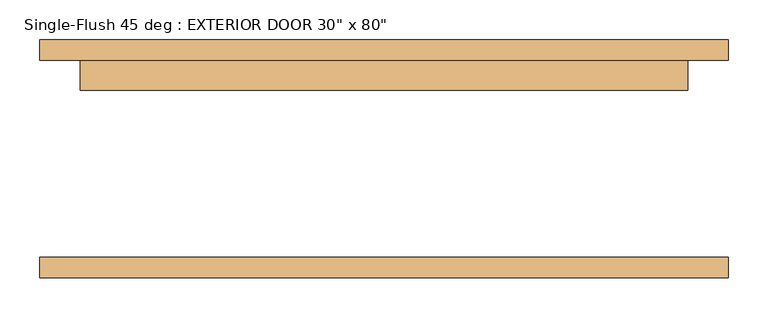
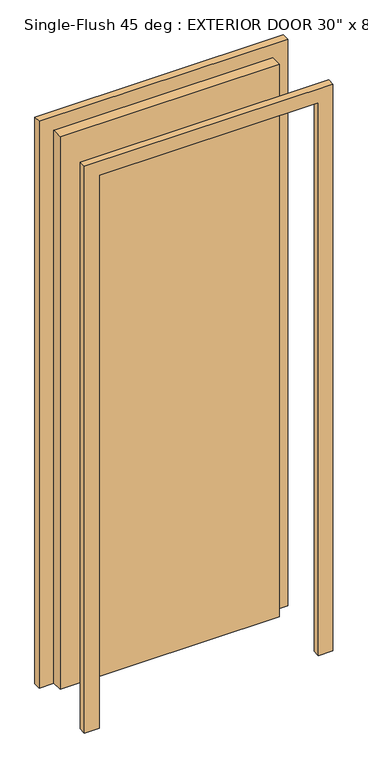
"""IFC4 building model written with IfcOpenShell, lengths in millimetres: door geometry."""

from ifc_helpers import new_model, si_unit, frame, origin, origin_with_axes, place, context, project, spatial, polyline, outline, extrude, source, transform, mapped, element, save


def door_861f9a20(model_context):
    return source(origin(), model_context, "Body", "SweptSolid", [
        extrude(outline(polyline([(381.0, 85.725), (-381.0, 85.725), (-381.0, 123.825), (381.0, 123.825), (381.0, 85.725)])), origin_with_axes(), (0.0, 0.0, 1.0), 2032.0),
        extrude(outline(polyline([(2082.8, -431.8), (0.0, -431.8), (0.0, -381.0), (2032.0, -381.0), (2032.0, 381.0), (0.0, 381.0), (0.0, 431.8), (2082.8, 431.8), (2082.8, -431.8)])), frame((0.0, 123.825, 0.0), z_axis=(0.0, 1.0, 0.0), x_axis=(0.0, 0.0, 1.0)), (0.0, 0.0, 1.0), 25.4),
        extrude(outline(polyline([(2082.8, 431.8), (2082.8, -431.8), (0.0, -431.8), (0.0, -381.0), (2032.0, -381.0), (2032.0, 381.0), (0.0, 381.0), (0.0, 431.8), (2082.8, 431.8)])), frame((0.0, -149.225, 0.0), z_axis=(0.0, 1.0, 0.0), x_axis=(0.0, 0.0, 1.0)), (0.0, 0.0, 1.0), 25.4),
    ])


if __name__ == "__main__":
    model = new_model("IFC4")
    model_context = context("Model", 3, world=origin())
    ifc_project = project(units=[si_unit("LENGTHUNIT", "METRE", prefix="MILLI")], contexts=[model_context])
    site = spatial("IfcSite", under=ifc_project)
    building = spatial("IfcBuilding", under=site)
    placement = place(None, origin())
    door_shape = door_861f9a20(model_context)
    element("IfcDoor", 1, ObjectType="Single-Flush 45 deg : EXTERIOR DOOR 30\" x 80\"", at=placement, inside=building, context=model_context, shape_type="MappedRepresentation", body=[
        mapped(door_shape, transform((0.0, 0.0, 0.0), x_axis=(1.0, 0.0, 0.0), y_axis=(0.0, 1.0, 0.0), z_axis=(0.0, 0.0, 1.0))),
    ])
    save(model, "model.ifc")
